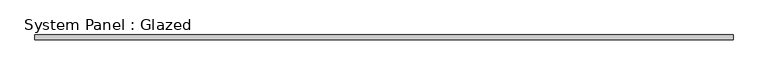
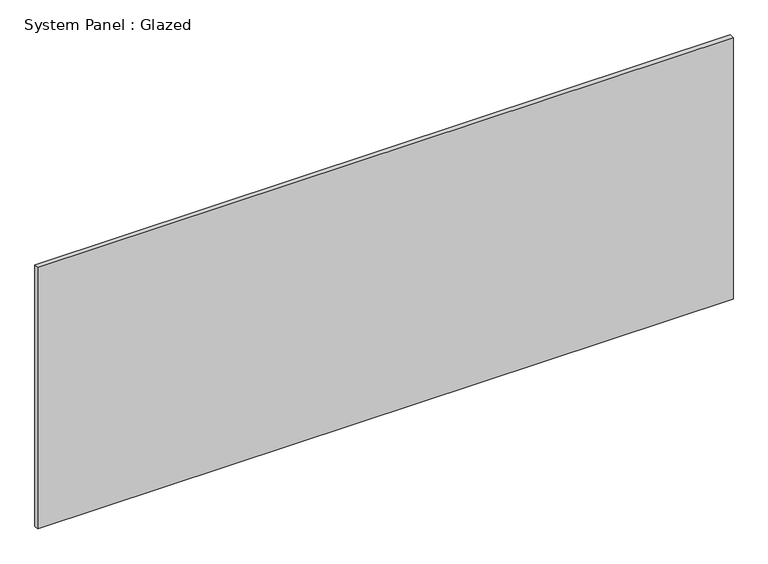
"""IFC4 building model written with IfcOpenShell, lengths in millimetres: plate geometry, System Panel : Glazed."""

from ifc_helpers import new_model, si_unit, origin, origin_with_axes, place, context, project, spatial, polyline, outline, extrude, source, transform, mapped, element, save


def system_panel_glazed_6b787c29(model_context):
    return source(origin(), model_context, "Body", "SweptSolid", [
        extrude(outline(polyline([(1837.5752733, -44.45), (-1837.5752733, -44.45), (-1837.5752733, -19.05), (1837.5752733, -19.05), (1837.5752733, -44.45)])), origin_with_axes(), (0.0, 0.0, 1.0), 1460.5),
    ])


if __name__ == "__main__":
    model = new_model("IFC4")
    model_context = context("Model", 3, world=origin())
    ifc_project = project(units=[si_unit("LENGTHUNIT", "METRE", prefix="MILLI")], contexts=[model_context])
    site = spatial("IfcSite", under=ifc_project)
    building = spatial("IfcBuilding", under=site)
    placement = place(None, origin())
    system_panel_glazed_shape = system_panel_glazed_6b787c29(model_context)
    element("IfcPlate", 1, ObjectType="System Panel : Glazed", at=placement, inside=building, context=model_context, shape_type="MappedRepresentation", body=[
        mapped(system_panel_glazed_shape, transform((0.0, 0.0, 0.0), x_axis=(1.0, 0.0, 0.0), y_axis=(0.0, 1.0, 0.0), z_axis=(0.0, 0.0, 1.0))),
    ])
    save(model, "model.ifc")
